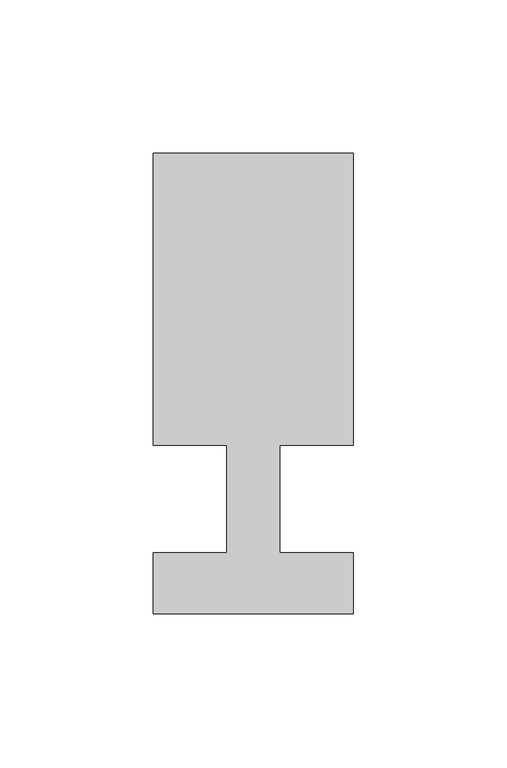
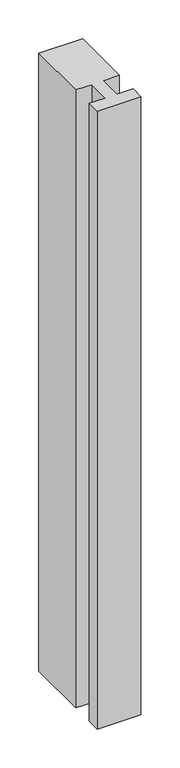
"""IFC4 building model written with IfcOpenShell, lengths in millimetres: member geometry."""

from ifc_helpers import new_model, si_unit, frame, origin, place, context, project, spatial, polyline, outline, extrude, source, transform, mapped, element, save


def member_e8bfb298(model_context):
    return source(origin(), model_context, "Body", "SweptSolid", [
        extrude(outline(polyline([(0.0, -37.0), (-65.0, -37.0), (-65.0, -17.0), (-41.1875, -17.0), (-41.1875, 18.0), (-65.0, 18.0), (-65.0, 113.0), (0.0, 113.0), (0.0, 18.0), (-23.8125, 18.0), (-23.8125, -17.0), (0.0, -17.0), (0.0, -37.0)])), frame((0.0, 0.0, -971.5982143), z_axis=(0.0, 0.0, 1.0), x_axis=(1.0, 0.0, 0.0)), (0.0, 0.0, 1.0), 971.5982143),
    ])


if __name__ == "__main__":
    model = new_model("IFC4")
    model_context = context("Model", 3, world=origin())
    ifc_project = project(units=[si_unit("LENGTHUNIT", "METRE", prefix="MILLI")], contexts=[model_context])
    site = spatial("IfcSite", under=ifc_project)
    building = spatial("IfcBuilding", under=site)
    placement = place(None, origin())
    member_shape = member_e8bfb298(model_context)
    element("IfcMember", 1, at=placement, inside=building, context=model_context, shape_type="MappedRepresentation", body=[
        mapped(member_shape, transform((0.0, 0.0, 0.0), x_axis=(1.0, 0.0, 0.0), y_axis=(0.0, 1.0, 0.0), z_axis=(0.0, 0.0, 1.0))),
    ])
    save(model, "model.ifc")
